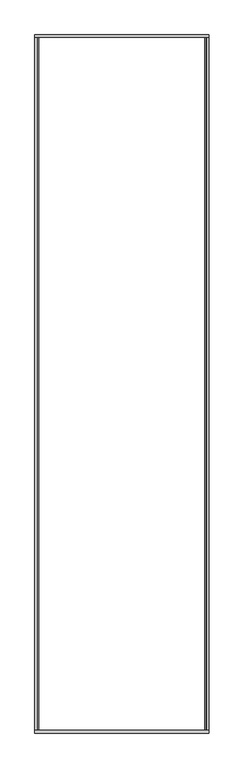
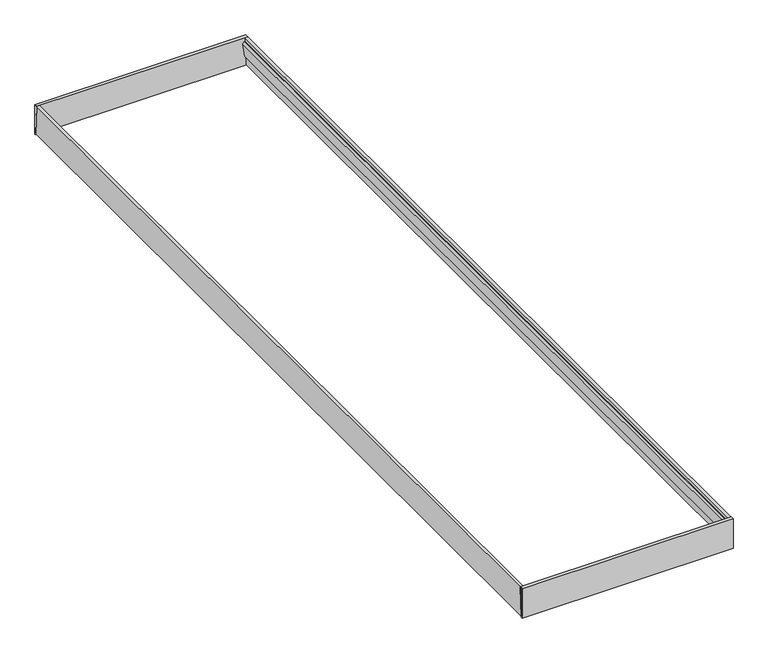
"""IFC4 building model written with IfcOpenShell, lengths in millimetres: beam geometry."""

from ifc_helpers import new_model, si_unit, frame, origin, place, context, project, spatial, polyline, outline, extrude, source, transform, mapped, element, save


def beam_0aef6453(model_context):
    return source(origin(), model_context, "Body", "SweptSolid", [
        extrude(outline(polyline([(-5965.0, 220.0), (-5980.0, 0.0), (-5990.0, 0.0), (-5990.0, 220.0), (-5965.0, 220.0)])), frame((5.0, 0.0, 0.0), z_axis=(1.0, 0.0, 0.0), x_axis=(0.0, 1.0, 0.0)), (0.0, 0.0, 1.0), 1500.0),
        extrude(outline(polyline([(-10.0, 220.0), (10.0, 220.0), (10.0, 0.0), (0.0, 0.0), (-10.0, 220.0)])), frame((5.0, 0.0, 0.0), z_axis=(1.0, 0.0, 0.0), x_axis=(0.0, 1.0, 0.0)), (0.0, 0.0, 1.0), 1500.0),
        extrude(outline(polyline([(71.0129189, 1495.4251599), (6.9651578, 1500.0), (6.9651578, 1505.0), (220.0, 1505.0), (220.0, 1484.7832256), (190.4202344, 1486.896066), (190.2064933, 1483.9036899), (177.1682831, 1470.0), (74.1450488, 1487.1810542), (70.5114493, 1492.4533359), (71.0129189, 1495.4251599)])), frame((0.0, -5980.0, 0.0), z_axis=(0.0, 1.0, 0.0), x_axis=(0.0, 0.0, 1.0)), (0.0, 0.0, 1.0), 5980.0),
        extrude(outline(polyline([(71.0129189, 14.371614), (70.5114493, 17.3434381), (74.1450488, 22.6157198), (177.1682831, 40.0), (190.2064933, 25.8930841), (190.4202344, 22.900708), (220.0, 25.0135484), (220.0, 5.0), (7.0, 5.0), (7.0, 10.0), (71.0129189, 14.371614)])), frame((0.0, -5980.0, 0.0), z_axis=(0.0, 1.0, 0.0), x_axis=(0.0, 0.0, 1.0)), (0.0, 0.0, 1.0), 5980.0),
    ])


if __name__ == "__main__":
    model = new_model("IFC4")
    model_context = context("Model", 3, world=origin())
    ifc_project = project(units=[si_unit("LENGTHUNIT", "METRE", prefix="MILLI")], contexts=[model_context])
    site = spatial("IfcSite", under=ifc_project)
    building = spatial("IfcBuilding", under=site)
    placement = place(None, origin())
    beam_shape = beam_0aef6453(model_context)
    element("IfcBeam", 1, at=placement, inside=building, context=model_context, shape_type="MappedRepresentation", body=[
        mapped(beam_shape, transform((0.0, 0.0, 0.0), x_axis=(1.0, 0.0, 0.0), y_axis=(0.0, 1.0, 0.0), z_axis=(0.0, 0.0, 1.0))),
    ])
    save(model, "model.ifc")
